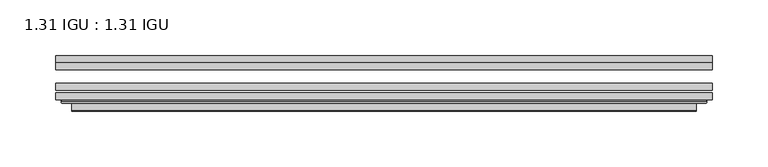
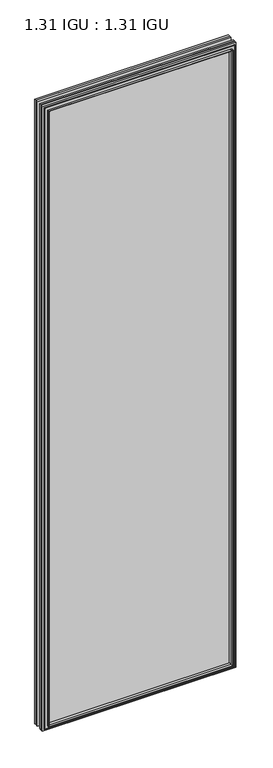
"""IFC4 building model written with IfcOpenShell, lengths in millimetres: plate geometry, 1.31 IGU : 1.31 IGU."""

from ifc_helpers import new_model, si_unit, frame, origin, place, context, project, spatial, polyline, ellipse_curve, outline, extrude, faceted_brep, source, transform, mapped, element, save
from ifc_brep_helpers import plane_surface, cylinder_surface, advanced_brep


def plate_1_31_igu_1_31_igu_1318e643(model_context):
    return source(origin(), model_context, "Body", "SolidModel", [
        extrude(outline(polyline([(295.1435218, -66.4725937), (295.1435218, -72.8225938), (-295.1293469, -72.8225938), (-295.1293469, -66.4725937), (295.1435218, -66.4725937)])), frame((0.0, 0.0, -14.2875), z_axis=(0.0, 0.0, 1.0), x_axis=(1.0, 0.0, 0.0)), (0.0, 0.0, 1.0), 2009.7964726),
        extrude(outline(polyline([(-295.1293469, -81.4585938), (-295.1293469, -75.1080887), (295.1435218, -75.1080887), (295.1435218, -81.4585938), (-295.1293469, -81.4585938)])), frame((0.0, 0.0, -14.2875), z_axis=(0.0, 0.0, 1.0), x_axis=(1.0, 0.0, 0.0)), (0.0, 0.0, 1.0), 2009.7964726),
        extrude(outline(polyline([(295.1435218, -48.1337937), (295.1435218, -54.4837938), (-295.1293469, -54.4837938), (-295.1293469, -48.1337937), (295.1435218, -48.1337937)])), frame((0.0, 0.0, -14.2875), z_axis=(0.0, 0.0, 1.0), x_axis=(1.0, 0.0, 0.0)), (0.0, 0.0, 1.0), 2009.7964726),
        faceted_brep([(-280.8365371, -41.7837938, 1981.2123649), (-279.9441028, -48.1337937, 1980.3199306), (-279.9441028, -48.1337937, 0.8977441), (-280.8365371, -41.7837938, 0.0053098), (-295.1420469, -48.1337937, 1995.5178747), (-295.1420469, -41.7837938, 1995.5178747), (-295.1420469, -41.7837938, -14.3002), (-295.1420469, -48.1337937, -14.3002), (279.9441028, -48.1337937, 0.8977441), (280.8365371, -41.7837938, 0.0053098), (295.1420469, -41.7837938, -14.3002), (295.1420469, -48.1337937, -14.3002), (279.9441028, -48.1337937, 1980.3199306), (280.8365371, -41.7837938, 1981.2123649), (295.1420469, -41.7837938, 1995.5178747), (295.1420469, -48.1337937, 1995.5178747)], [[[0, 1, 2, 3]], [[4, 5, 6, 7]], [[3, 2, 8, 9]], [[7, 6, 10, 11]], [[9, 8, 12, 13]], [[11, 10, 14, 15]], [[7, 11, 15, 4], [1, 12, 8, 2]], [[13, 12, 1, 0]], [[5, 14, 10, 6], [3, 9, 13, 0]], [[15, 14, 5, 4]]]),
        advanced_brep(
        [(-289.2404818, -84.6335938, 1989.6163096), (-290.2422713, -83.4482604, 1990.6180991), (-290.2422713, -83.4482604, -9.4004244), (-289.2404818, -84.6335938, -8.3986349), (-280.8364253, -91.0948368, 1981.2122532), (-280.8364253, -84.6335938, 1981.2122532), (-280.8364253, -84.6335938, 0.0054216), (-280.8364253, -91.0948368, 0.0054216), (-279.8457685, -90.6958619, 1980.2215964), (-279.8457685, -90.6958619, 0.9960783), (-278.8137408, -85.2986307, 1979.1895686), (-278.8137408, -85.2986307, 2.0281061), (-273.8789089, -81.4585938, 1974.2547368), (-273.8789089, -81.4585938, 6.9629379), (-287.8880659, -81.4585938, 1988.2638938), (-287.8880659, -81.4585938, -7.046219), (290.2422713, -83.4482604, -9.4004244), (289.2404818, -84.6335938, -8.3986349), (280.8364253, -84.6335938, 0.0054216), (280.8364253, -91.0948368, 0.0054216), (279.8457685, -90.6958619, 0.9960783), (278.8137408, -85.2986307, 2.0281061), (273.8789089, -81.4585938, 6.9629379), (287.8880659, -81.4585938, -7.046219), (290.2422713, -83.4482604, 1990.6180991), (289.2404818, -84.6335938, 1989.6163096), (280.8364253, -84.6335938, 1981.2122532), (280.8364253, -91.0948368, 1981.2122532), (279.8457685, -90.6958619, 1980.2215964), (278.8137408, -85.2986307, 1979.1895686), (273.8789089, -81.4585938, 1974.2547368), (287.8880659, -81.4585938, 1988.2638938)],
        [
            (0, 1, ellipse_curve(frame((-289.2404818, -83.6175938, 1989.6163096), z_axis=(-0.7071067811865475, 0.0, -0.7071067811865475), x_axis=(-0.7071067811865474, 0.0, 0.7071067811865476)), 1.436841, 1.016)),
            (1, 2),
            (2, 3, ellipse_curve(frame((-289.2404818, -83.6175938, -8.3986349), z_axis=(-0.7071067811865475, 0.0, 0.7071067811865475), x_axis=(0.7071067811865474, 0.0, 0.7071067811865476)), 1.436841, 1.016)),
            (3, 0),
            (4, 5),
            (5, 6),
            (6, 7),
            (7, 4),
            (8, 4, ellipse_curve(frame((-280.4694687, -90.5766015, 1980.8452966), z_axis=(-0.7071067811865475, 0.0, -0.7071067811865475), x_axis=(-0.7071067811865474, 0.0, 0.7071067811865476)), 0.8980256, 0.635)),
            (7, 9, ellipse_curve(frame((-280.4694687, -90.5766015, 0.3723781), z_axis=(-0.7071067811865475, 0.0, 0.7071067811865475), x_axis=(0.7071067811865474, 0.0, 0.7071067811865476)), 0.8980256, 0.635)),
            (9, 8),
            (10, 8),
            (9, 11),
            (11, 10),
            (12, 10),
            (11, 13),
            (13, 12),
            (1, 14, ellipse_curve(frame((-287.8880659, -83.8461938, 1988.2638938), z_axis=(-0.7071067811865475, 0.0, -0.7071067811865475), x_axis=(-0.7071067811865474, 0.0, 0.7071067811865476)), 3.3765763, 2.3876)),
            (14, 15),
            (15, 2, ellipse_curve(frame((-287.8880659, -83.8461938, -7.046219), z_axis=(-0.7071067811865475, 0.0, 0.7071067811865475), x_axis=(0.7071067811865474, 0.0, 0.7071067811865476)), 3.3765763, 2.3876)),
            (2, 16),
            (16, 17, ellipse_curve(frame((289.2404818, -83.6175938, -8.3986349), z_axis=(-0.7071067811865475, 0.0, -0.7071067811865475), x_axis=(-0.7071067811865476, 0.0, 0.7071067811865474)), 1.436841, 1.016)),
            (17, 3),
            (6, 18),
            (18, 19),
            (19, 7),
            (19, 20, ellipse_curve(frame((280.4694687, -90.5766015, 0.3723781), z_axis=(-0.7071067811865475, 0.0, -0.7071067811865475), x_axis=(-0.7071067811865476, 0.0, 0.7071067811865474)), 0.8980256, 0.635)),
            (20, 9),
            (20, 21),
            (21, 11),
            (21, 22),
            (22, 13),
            (15, 23),
            (23, 16, ellipse_curve(frame((287.8880659, -83.8461938, -7.046219), z_axis=(-0.7071067811865475, 0.0, -0.7071067811865475), x_axis=(-0.7071067811865476, 0.0, 0.7071067811865474)), 3.3765763, 2.3876)),
            (16, 24),
            (24, 25, ellipse_curve(frame((289.2404818, -83.6175938, 1989.6163096), z_axis=(0.7071067811865475, 0.0, -0.7071067811865475), x_axis=(-0.7071067811865474, 0.0, -0.7071067811865476)), 1.436841, 1.016)),
            (25, 17),
            (18, 26),
            (26, 27),
            (27, 19),
            (27, 28, ellipse_curve(frame((280.4694687, -90.5766015, 1980.8452966), z_axis=(0.7071067811865475, 0.0, -0.7071067811865475), x_axis=(-0.7071067811865474, 0.0, -0.7071067811865476)), 0.8980256, 0.635)),
            (28, 20),
            (28, 29),
            (29, 21),
            (29, 30),
            (30, 22),
            (23, 31),
            (31, 24, ellipse_curve(frame((287.8880659, -83.8461938, 1988.2638938), z_axis=(0.7071067811865475, 0.0, -0.7071067811865475), x_axis=(-0.7071067811865474, 0.0, -0.7071067811865476)), 3.3765763, 2.3876)),
            (24, 1),
            (0, 25),
            (5, 26),
            (4, 27),
            (8, 28),
            (10, 29),
            (12, 30),
            (14, 31),
        ],
        [
            cylinder_surface(frame((-289.2404818, -83.6175938, 2012.9676747), z_axis=(0.0, 0.0, 1.0), x_axis=(-1.0, 0.0, 0.0)), 1.016),
            plane_surface(frame((-280.8364253, -84.6335938, 1981.2122532), z_axis=(-1.0, 0.0, 0.0), x_axis=(0.0, 0.0, -1.0))),
            cylinder_surface(frame((-280.4694687, -90.5766015, 2012.9676747), z_axis=(0.0, 0.0, 1.0), x_axis=(-1.0, 0.0, 0.0)), 0.635),
            plane_surface(frame((-279.8457685, -90.6958619, 1980.2215964), z_axis=(0.9822050625507717, -0.18781164793386754, 0.0), x_axis=(0.0, 0.0, -1.0))),
            plane_surface(frame((-278.8137408, -85.2986307, 1979.1895686), z_axis=(0.6141233906514726, -0.7892100234124875, 0.0), x_axis=(0.0, 0.0, -1.0))),
            cylinder_surface(frame((-287.8880659, -83.8461938, 2012.9676747), z_axis=(0.0, 0.0, 1.0), x_axis=(-1.0, 0.0, 0.0)), 2.3876),
            cylinder_surface(frame((-312.5918469, -83.6175938, -8.3986349), z_axis=(-1.0, 0.0, 0.0), x_axis=(0.0, 0.0, -1.0)), 1.016),
            plane_surface(frame((-280.8364253, -84.6335938, 0.0054216), z_axis=(0.0, 0.0, -1.0), x_axis=(1.0, 0.0, 0.0))),
            cylinder_surface(frame((-312.5918469, -90.5766015, 0.3723781), z_axis=(-1.0, 0.0, 0.0), x_axis=(0.0, 0.0, -1.0)), 0.635),
            plane_surface(frame((-279.8457685, -90.6958619, 0.9960783), z_axis=(0.0, -0.18781164793386435, 0.9822050625507722), x_axis=(1.0, 0.0, 0.0))),
            plane_surface(frame((-278.8137408, -85.2986307, 2.0281061), z_axis=(0.0, -0.7892100234124855, 0.6141233906514751), x_axis=(1.0, 0.0, 0.0))),
            cylinder_surface(frame((-312.5918469, -83.8461938, -7.046219), z_axis=(-1.0, 0.0, 0.0), x_axis=(0.0, 0.0, -1.0)), 2.3876),
            cylinder_surface(frame((289.2404818, -83.6175938, -31.75), z_axis=(0.0, 0.0, -1.0), x_axis=(1.0, 0.0, 0.0)), 1.016),
            plane_surface(frame((280.8364253, -84.6335938, 0.0054216), z_axis=(1.0, 0.0, 0.0), x_axis=(0.0, 0.0, 1.0))),
            cylinder_surface(frame((280.4694687, -90.5766015, -31.75), z_axis=(0.0, 0.0, -1.0), x_axis=(1.0, 0.0, 0.0)), 0.635),
            plane_surface(frame((279.8457685, -90.6958619, 0.9960783), z_axis=(-0.9822050625507728, -0.18781164793386115, 0.0), x_axis=(0.0, 0.0, 1.0))),
            plane_surface(frame((278.8137408, -85.2986307, 2.0281061), z_axis=(-0.6141233906514777, -0.7892100234124835, 0.0), x_axis=(0.0, 0.0, 1.0))),
            cylinder_surface(frame((287.8880659, -83.8461938, -31.75), z_axis=(0.0, 0.0, -1.0), x_axis=(1.0, 0.0, 0.0)), 2.3876),
            cylinder_surface(frame((312.5918469, -83.6175938, 1989.6163096), z_axis=(1.0, 0.0, 0.0), x_axis=(0.0, 0.0, 1.0)), 1.016),
            plane_surface(frame((289.2404818, -84.6335938, 1989.6163096), z_axis=(0.0, -1.0, 0.0), x_axis=(-1.0, 0.0, 0.0))),
            plane_surface(frame((280.8364253, -84.6335938, 1981.2122532), z_axis=(0.0, 0.0, 1.0), x_axis=(-1.0, 0.0, 0.0))),
            cylinder_surface(frame((312.5918469, -90.5766015, 1980.8452966), z_axis=(1.0, 0.0, 0.0), x_axis=(0.0, 0.0, 1.0)), 0.635),
            plane_surface(frame((279.8457685, -90.6958619, 1980.2215964), z_axis=(0.0, -0.18781164793386435, -0.9822050625507722), x_axis=(-1.0, 0.0, 0.0))),
            plane_surface(frame((278.8137408, -85.2986307, 1979.1895686), z_axis=(0.0, -0.7892100234124855, -0.6141233906514751), x_axis=(-1.0, 0.0, 0.0))),
            plane_surface(frame((273.8789089, -81.4585938, 1974.2547368), z_axis=(0.0, 1.0, 0.0), x_axis=(-1.0, 0.0, 0.0))),
            cylinder_surface(frame((312.5918469, -83.8461938, 1988.2638938), z_axis=(1.0, 0.0, 0.0), x_axis=(0.0, 0.0, 1.0)), 2.3876),
        ],
        [
            (0, [[1, 2, 3, 4]]),
            (1, [[5, 6, 7, 8]]),
            (2, [[9, -8, 10, 11]]),
            (3, [[12, -11, 13, 14]]),
            (4, [[15, -14, 16, 17]]),
            (5, [[18, 19, 20, -2]]),
            (6, [[-3, 21, 22, 23]]),
            (7, [[-7, 24, 25, 26]]),
            (8, [[-10, -26, 27, 28]]),
            (9, [[-13, -28, 29, 30]]),
            (10, [[-16, -30, 31, 32]]),
            (11, [[-20, 33, 34, -21]]),
            (12, [[-22, 35, 36, 37]]),
            (13, [[-25, 38, 39, 40]]),
            (14, [[-27, -40, 41, 42]]),
            (15, [[-29, -42, 43, 44]]),
            (16, [[-31, -44, 45, 46]]),
            (17, [[-34, 47, 48, -35]]),
            (18, [[-36, 49, -1, 50]]),
            (19, [[-23, -37, -50, -4], [51, -38, -24, -6]]),
            (20, [[-39, -51, -5, 52]]),
            (21, [[-41, -52, -9, 53]]),
            (22, [[-43, -53, -12, 54]]),
            (23, [[-45, -54, -15, 55]]),
            (24, [[56, -47, -33, -19], [-32, -46, -55, -17]]),
            (25, [[-48, -56, -18, -49]]),
        ],
    ),
    ])


if __name__ == "__main__":
    model = new_model("IFC4")
    model_context = context("Model", 3, world=origin())
    ifc_project = project(units=[si_unit("LENGTHUNIT", "METRE", prefix="MILLI")], contexts=[model_context])
    site = spatial("IfcSite", under=ifc_project)
    building = spatial("IfcBuilding", under=site)
    placement = place(None, origin())
    plate_1_31_igu_1_31_igu_shape = plate_1_31_igu_1_31_igu_1318e643(model_context)
    element("IfcPlate", 1, ObjectType="1.31 IGU : 1.31 IGU", at=placement, inside=building, context=model_context, shape_type="MappedRepresentation", body=[
        mapped(plate_1_31_igu_1_31_igu_shape, transform((0.0, 0.0, 0.0), x_axis=(1.0, 0.0, 0.0), y_axis=(0.0, 1.0, 0.0), z_axis=(0.0, 0.0, 1.0))),
    ])
    save(model, "model.ifc")
